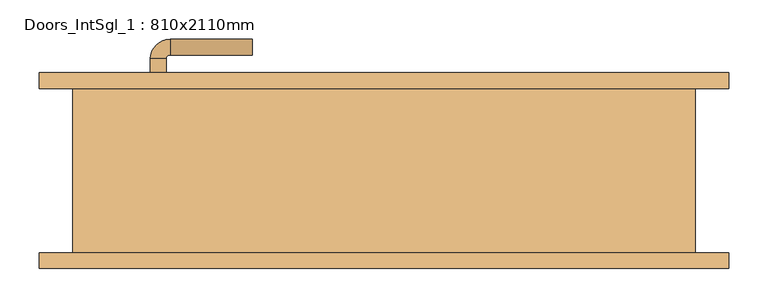
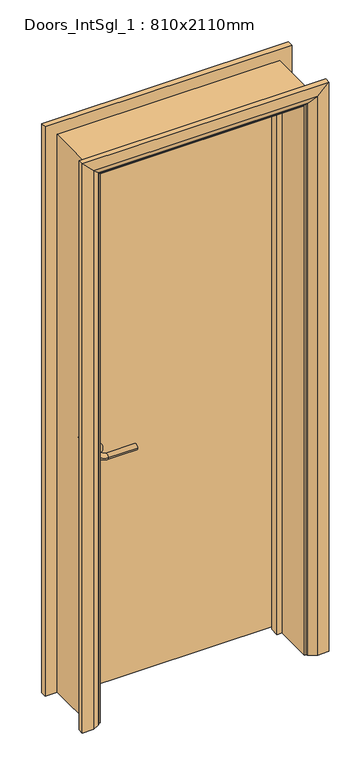
"""IFC4 building model written with IfcOpenShell, lengths in millimetres: door geometry, Doors_IntSgl_1 : 810x2110mm."""

import ifcopenshell
import ifcopenshell.guid

model = None  # the IFC model being written
_history = None  # IfcOwnerHistory: only IFC2X3 demands one
_inside = {}  # id of a spatial element -> (the spatial element, [elements in it])
_under = {}  # id of a project, library or spatial element -> (it, [spatial elements below it])
_declared = {}  # id of a project -> (the project, [libraries it declares])
_typed = {}  # id of a type object -> (the type object, [elements of that type])
_made_of = {}  # id of a material, layer set ... -> (it, [elements and type objects made of it])


def new_model(schema):
    """Start an empty IFC model of exactly this schema.

    Asked for "IFC4X3", IfcOpenShell would pick the latest addendum, in which some entities
    have other attributes; the version numbers below select the first issue.
    IFC2X3 requires an IfcOwnerHistory on every rooted entity: one is made here for all.
    """
    global model, _history
    if schema == "IFC4X3":
        model = ifcopenshell.file(schema_version=(4, 3, 0, 0))
    else:
        model = ifcopenshell.file(schema=schema)
    _inside.clear()
    _under.clear()
    _declared.clear()
    _typed.clear()
    _made_of.clear()
    _history = None
    if model.schema == "IFC2X3":
        org = make("IfcOrganization", Name="unknown")
        user = make(
            "IfcPersonAndOrganization",
            ThePerson=make("IfcPerson", FamilyName="unknown"),
            TheOrganization=org,
        )
        app = make(
            "IfcApplication",
            ApplicationDeveloper=org,
            Version="unknown",
            ApplicationFullName="unknown",
            ApplicationIdentifier="unknown",
        )
        _history = make(
            "IfcOwnerHistory",
            OwningUser=user,
            OwningApplication=app,
            ChangeAction="ADDED",
            CreationDate=0,
        )
    return model


def make(cls, **values):
    """One entity of the class cls with the attributes given. An attribute that is None is left unset."""
    return model.create_entity(
        cls, **{name: value for name, value in values.items() if value is not None}
    )


def rooted(cls, **values):
    """An entity with a GlobalId (a new one), such as an element, a storey or a relation."""
    return make(cls, GlobalId=ifcopenshell.guid.new(), OwnerHistory=_history, **values)


def si_unit(unit_type, name, prefix=None):
    """IfcSIUnit, for example si_unit("LENGTHUNIT", "METRE", prefix="MILLI")."""
    return make("IfcSIUnit", UnitType=unit_type, Prefix=prefix, Name=name)


def assignment(units):
    """IfcUnitAssignment: the units of a project."""
    return None if units is None else make("IfcUnitAssignment", Units=units)


def point(xyz):
    """IfcCartesianPoint."""
    return None if xyz is None else make("IfcCartesianPoint", Coordinates=xyz)


def direction(xyz):
    """IfcDirection."""
    return None if xyz is None else make("IfcDirection", DirectionRatios=xyz)


def frame(location, z_axis=None, x_axis=None):
    """IfcAxis2Placement3D, a coordinate frame: its origin and axes. An axis left out is left unset."""
    return make(
        "IfcAxis2Placement3D",
        Location=point(location),
        Axis=direction(z_axis),
        RefDirection=direction(x_axis),
    )


def frame_2d(location, x_axis=None):
    """IfcAxis2Placement2D, a coordinate frame in the plane: its origin and x axis."""
    return make(
        "IfcAxis2Placement2D", Location=point(location), RefDirection=direction(x_axis)
    )


def origin():
    """The frame at (0, 0, 0) with its axes left unset."""
    return frame((0.0, 0.0, 0.0))


def place(relative_to, where):
    """IfcLocalPlacement: puts the frame where relative to a parent placement (None: the world)."""
    return make(
        "IfcLocalPlacement", PlacementRelTo=relative_to, RelativePlacement=where
    )


def context(
    kind, dimensions, precision=None, world=None, true_north=None, identifier=None
):
    """IfcGeometricRepresentationContext, for example the 3D "Model" context."""
    return make(
        "IfcGeometricRepresentationContext",
        ContextIdentifier=identifier,
        ContextType=kind,
        CoordinateSpaceDimension=dimensions,
        Precision=precision,
        WorldCoordinateSystem=world,
        TrueNorth=true_north,
    )


def project(units=None, contexts=None):
    """IfcProject with its units and contexts."""
    return rooted(
        "IfcProject",
        Name="project",
        RepresentationContexts=contexts,
        UnitsInContext=assignment(units),
    )


def spatial(cls, under=None, at=None, **own):
    """A site, building, storey or space (cls), placed at a placement, below another one or the project."""
    s = rooted(cls, ObjectPlacement=at, **own)
    if under is not None:
        _under.setdefault(under.id(), (under, []))[1].append(s)
    return s


def polyline(points):
    """IfcPolyline through the points."""
    return make("IfcPolyline", Points=[point(p) for p in points])


def circle_curve(where, radius):
    """IfcCircle in the frame where."""
    return make("IfcCircle", Position=where, Radius=radius)


def ellipse_curve(where, semi_axis1, semi_axis2):
    """IfcEllipse in the frame where."""
    return make(
        "IfcEllipse", Position=where, SemiAxis1=semi_axis1, SemiAxis2=semi_axis2
    )


def trimmed(basis, trim1, trim2, sense, master):
    """IfcTrimmedCurve: the piece of a basis curve between two trims."""
    return make(
        "IfcTrimmedCurve",
        BasisCurve=basis,
        Trim1=trim1,
        Trim2=trim2,
        SenseAgreement=sense,
        MasterRepresentation=master,
    )


def segment(curve, same_sense, transition):
    """IfcCompositeCurveSegment."""
    return make(
        "IfcCompositeCurveSegment",
        Transition=transition,
        SameSense=same_sense,
        ParentCurve=curve,
    )


def composite_curve(segments, self_intersect=None):
    """IfcCompositeCurve: segments joined end to end."""
    return make("IfcCompositeCurve", Segments=segments, SelfIntersect=self_intersect)


def outline(outer, holes=None, kind="AREA"):
    """IfcArbitraryClosedProfileDef: a profile drawn as a closed curve; with holes, ...WithVoids."""
    if holes is None:
        return make("IfcArbitraryClosedProfileDef", ProfileType=kind, OuterCurve=outer)
    return make(
        "IfcArbitraryProfileDefWithVoids",
        ProfileType=kind,
        OuterCurve=outer,
        InnerCurves=holes,
    )


def extrude(swept, where, along, depth):
    """IfcExtrudedAreaSolid: the profile swept, set in the frame where, extruded along a direction by depth."""
    return make(
        "IfcExtrudedAreaSolid",
        SweptArea=swept,
        Position=where,
        ExtrudedDirection=direction(along),
        Depth=depth,
    )


def faces_of(points, faces, orient=None, outer=None):
    """IfcFace entities. A face is a list of loops; a loop is a list of indices into points, from 0.

    orient and outer hold one flag for each loop. By default every Orientation is true, the
    first loop of a face is its IfcFaceOuterBound and the others are IfcFaceBound.
    """
    made = []
    for i, loops in enumerate(faces):
        bounds = []
        for j, loop in enumerate(loops):
            is_outer = j == 0 if outer is None else outer[i][j]
            bounds.append(
                make(
                    "IfcFaceOuterBound" if is_outer else "IfcFaceBound",
                    Bound=make("IfcPolyLoop", Polygon=[points[k] for k in loop]),
                    Orientation=True if orient is None else orient[i][j],
                )
            )
        made.append(make("IfcFace", Bounds=bounds))
    return made


def faceted_brep(points, faces, orient=None, outer=None, voids=None):
    """IfcFacetedBrep: a solid bounded by flat faces; with voids (closed shells), ...WithVoids."""
    shared = [point(p) for p in points]
    hull = make("IfcClosedShell", CfsFaces=faces_of(shared, faces, orient, outer))
    if voids is None:
        return make("IfcFacetedBrep", Outer=hull)
    return make(
        "IfcFacetedBrepWithVoids",
        Outer=hull,
        Voids=[
            make(cls, CfsFaces=faces_of(shared, fs, o, b)) for cls, fs, o, b in voids
        ],
    )


def shape(context_of_items, identifier, shape_type, items):
    """IfcShapeRepresentation: the items that make up one representation, for example the "Body"."""
    return make(
        "IfcShapeRepresentation",
        ContextOfItems=context_of_items,
        RepresentationIdentifier=identifier,
        RepresentationType=shape_type,
        Items=items,
    )


def source(mapping_origin, context_of_items, identifier, shape_type, items):
    """IfcRepresentationMap: a shape defined once, which mapped items show again and again."""
    return make(
        "IfcRepresentationMap",
        MappingOrigin=mapping_origin,
        MappedRepresentation=shape(context_of_items, identifier, shape_type, items),
    )


def transform(
    local_origin,
    x_axis=None,
    y_axis=None,
    z_axis=None,
    scale=None,
    scale2=None,
    scale3=None,
    uniform=True,
):
    """IfcCartesianTransformationOperator3D, or its non-uniform kind. x_axis, y_axis, z_axis: its Axis1, 2, 3."""
    if uniform:
        return make(
            "IfcCartesianTransformationOperator3D",
            Axis1=direction(x_axis),
            Axis2=direction(y_axis),
            LocalOrigin=point(local_origin),
            Scale=scale,
            Axis3=direction(z_axis),
        )
    return make(
        "IfcCartesianTransformationOperator3DnonUniform",
        Axis1=direction(x_axis),
        Axis2=direction(y_axis),
        LocalOrigin=point(local_origin),
        Scale=scale,
        Axis3=direction(z_axis),
        Scale2=scale2,
        Scale3=scale3,
    )


def mapped(mapping_source, mapping_target):
    """IfcMappedItem: shows the shape of a source again, moved by a transform."""
    return make(
        "IfcMappedItem", MappingSource=mapping_source, MappingTarget=mapping_target
    )


def made_of(thing, what):
    """Note that an element or type object is made of a material, layer set ...; save() writes the relation."""
    if what is not None:
        _made_of.setdefault(what.id(), (what, []))[1].append(thing)
    return thing


def element(
    cls,
    number,
    at=None,
    inside=None,
    cuts=None,
    type_object=None,
    material=None,
    context=None,
    identifier="Body",
    shape_type=None,
    held_by="IfcProductDefinitionShape",
    body=None,
    shapes=None,
    **own,
):
    """One element of the class cls, such as IfcWall. Its Tag is "e" and its number.

    at: its placement. inside: the storey or other place that contains it. cuts: it is an
    opening in that element (IfcRelVoidsElement). A single representation is given by context,
    identifier, shape_type and body (its items); several are given by shapes. held_by: the class
    of the entity that holds the representations. save() writes the other relations.
    """
    e = rooted(cls, Tag="e%d" % number, ObjectPlacement=at, **own)
    if body is not None:
        shapes = [shape(context, identifier, shape_type, body)]
    if shapes is not None:
        e.Representation = make(held_by, Representations=shapes)
    if inside is not None:
        _inside.setdefault(inside.id(), (inside, []))[1].append(e)
    if cuts is not None:
        rooted(
            "IfcRelVoidsElement", RelatingBuildingElement=cuts, RelatedOpeningElement=e
        )
    if type_object is not None:
        _typed.setdefault(type_object.id(), (type_object, []))[1].append(e)
    return made_of(e, material)


def aggregate(whole, parts):
    """IfcRelAggregates: a whole, such as a stair, and the parts it consists of."""
    return rooted("IfcRelAggregates", RelatingObject=whole, RelatedObjects=parts)


def save(model, path):
    """Write the relations noted so far, then the file.

    IfcRelAggregates (storeys below a building ...), IfcRelContainedInSpatialStructure (elements
    in a storey), IfcRelDefinesByType, IfcRelAssociatesMaterial and IfcRelDeclares: one each for
    every whole, place, type object, material and project.
    """
    for whole, parts in _under.values():
        aggregate(whole, parts)
    for where, things in _inside.values():
        rooted(
            "IfcRelContainedInSpatialStructure",
            RelatedElements=things,
            RelatingStructure=where,
        )
    for kind, things in _typed.values():
        rooted("IfcRelDefinesByType", RelatedObjects=things, RelatingType=kind)
    for what, things in _made_of.values():
        rooted("IfcRelAssociatesMaterial", RelatedObjects=things, RelatingMaterial=what)
    for by, libraries in _declared.values():
        rooted("IfcRelDeclares", RelatingContext=by, RelatedDefinitions=libraries)
    model.write(path)


def plane_surface(at):
    """IfcPlane: the flat surface through the origin of the frame at, square to its z axis."""
    return make("IfcPlane", Position=at)


def cylinder_surface(at, radius):
    """IfcCylindricalSurface: all points at the distance radius from the z axis of the frame at."""
    return make("IfcCylindricalSurface", Position=at, Radius=radius)


def revolved_surface(curve, axis_point, axis_direction):
    """IfcSurfaceOfRevolution: the curve turned about the line through axis_point along axis_direction."""
    return make(
        "IfcSurfaceOfRevolution",
        SweptCurve=make("IfcArbitraryOpenProfileDef", ProfileType="CURVE", Curve=curve),
        AxisPosition=make("IfcAxis1Placement", Location=point(axis_point), Axis=direction(axis_direction)),
    )


def advanced_brep(points, edges, surfaces, faces):
    """IfcAdvancedBrep: a solid bounded by faces that lie on surfaces and meet in shared edges.

    An edge is (start, end): straight between two places in points (the first is 0);
    or (start, end, curve); or (start, end, curve, False) where it runs against its curve.
    A face is (place in surfaces, loops), or (place, loops, False) where it looks against
    its surface's normal. A loop lists edges by number (the first is 1), with a minus sign
    where the edge is run from its end to its start. The first loop is the outer one.
    """
    corners = [point(p) for p in points]
    vertices = [make("IfcVertexPoint", VertexGeometry=c) for c in corners]
    made = []
    for start, end, *more in edges:
        made.append(
            make(
                "IfcEdgeCurve",
                EdgeStart=vertices[start],
                EdgeEnd=vertices[end],
                EdgeGeometry=more[0] if more else make("IfcPolyline", Points=[corners[start], corners[end]]),
                SameSense=more[1] if len(more) > 1 else True,
            )
        )
    hull = []
    for where, loops, *sense in faces:
        bounds = []
        for j, loop in enumerate(loops):
            ring = [make("IfcOrientedEdge", EdgeElement=made[abs(k) - 1], Orientation=k > 0) for k in loop]
            bounds.append(
                make(
                    "IfcFaceOuterBound" if j == 0 else "IfcFaceBound",
                    Bound=make("IfcEdgeLoop", EdgeList=ring),
                    Orientation=True,
                )
            )
        hull.append(make("IfcAdvancedFace", Bounds=bounds, FaceSurface=surfaces[where], SameSense=sense[0] if sense else True))
    return make("IfcAdvancedBrep", Outer=make("IfcClosedShell", CfsFaces=hull))


def doors_intsgl_1_810x2110mm_fdffbd0d(model_context):
    return source(origin(), model_context, "Body", "SolidModel", [
        advanced_brep(
        [(-298.0, 59.0, 900.0), (-278.0, 59.0, 900.0), (-278.0, 29.0, 900.0), (-298.0, 29.0, 900.0), (-273.0, 24.0, 900.0), (-273.0, 4.0, 900.0), (-168.0, 4.0, 900.0), (-168.0, 24.0, 900.0)],
        [
            (0, 1, circle_curve(frame((-288.0, 59.0, 900.0), z_axis=(0.0, 1.0, 0.0), x_axis=(1.0, 0.0, 0.0)), 10.0)),
            (1, 0, circle_curve(frame((-288.0, 59.0, 900.0), z_axis=(0.0, 1.0, 0.0), x_axis=(1.0, 0.0, 0.0)), 10.0)),
            (1, 2),
            (2, 3, circle_curve(frame((-288.0, 29.0, 900.0), z_axis=(0.0, 1.0, 0.0), x_axis=(1.0, 0.0, 0.0)), 10.0)),
            (3, 0),
            (3, 2, circle_curve(frame((-288.0, 29.0, 900.0), z_axis=(0.0, 1.0, 0.0), x_axis=(1.0, 0.0, 0.0)), 10.0)),
            (4, 5, circle_curve(frame((-273.0, 14.0, 900.0), z_axis=(-1.0, 0.0, 0.0), x_axis=(0.0, 1.0, 0.0)), 10.0)),
            (5, 3, circle_curve(frame((-273.0, 29.0, 900.0), z_axis=(0.0, 0.0, -1.0), x_axis=(-1.0, 0.0, 0.0)), 25.0)),
            (2, 4, circle_curve(frame((-273.0, 29.0, 900.0), z_axis=(0.0, 0.0, 1.0), x_axis=(-1.0, 0.0, 0.0)), 5.0)),
            (5, 4, circle_curve(frame((-273.0, 14.0, 900.0), z_axis=(-1.0, 0.0, 0.0), x_axis=(0.0, 1.0, 0.0)), 10.0)),
            (6, 7, circle_curve(frame((-168.0, 14.0, 900.0), z_axis=(1.0, 0.0, 0.0), x_axis=(0.0, 1.0, 0.0)), 10.0)),
            (7, 6, circle_curve(frame((-168.0, 14.0, 900.0), z_axis=(1.0, 0.0, 0.0), x_axis=(0.0, 1.0, 0.0)), 10.0)),
            (4, 7),
            (6, 5),
        ],
        [
            plane_surface(frame((-288.0, 59.0, 900.0), z_axis=(0.0, 1.0, 0.0), x_axis=(0.0, 0.0, 1.0))),
            cylinder_surface(frame((-288.0, 59.0, 900.0), z_axis=(0.0, 1.0, 0.0), x_axis=(1.0, 0.0, 0.0)), 10.0),
            revolved_surface(trimmed(ellipse_curve(frame((-288.0, 29.0, 900.0), z_axis=(0.0, -1.0, 0.0), x_axis=(1.0, 0.0, 0.0)), 10.0, 10.0), [point((-298.0, 29.0, 900.0))], [point((-278.0, 29.0, 900.0))], True, "CARTESIAN"), (-273.0, 29.0, 900.0), (0.0, 0.0, -1.0)),
            revolved_surface(trimmed(ellipse_curve(frame((-288.0, 29.0, 900.0), z_axis=(0.0, -1.0, 0.0), x_axis=(1.0, 0.0, 0.0)), 10.0, 10.0), [point((-278.0, 29.0, 900.0))], [point((-298.0, 29.0, 900.0))], True, "CARTESIAN"), (-273.0, 29.0, 900.0), (0.0, 0.0, -1.0)),
            plane_surface(frame((-168.0, 14.0, 900.0), z_axis=(1.0, 0.0, 0.0), x_axis=(0.0, 0.0, 1.0))),
            cylinder_surface(frame((-273.0, 14.0, 900.0), z_axis=(-1.0, 0.0, 0.0), x_axis=(0.0, 1.0, 0.0)), 10.0),
        ],
        [
            (0, [[1, 2]]),
            (1, [[3, 4, 5, -2]]),
            (1, [[-5, 6, -3, -1]]),
            (2, [[7, 8, -4, 9]]),
            (3, [[10, -9, -6, -8]]),
            (4, [[11, 12]]),
            (5, [[13, -11, 14, -7]]),
            (5, [[-14, -12, -13, -10]]),
        ],
    ),
        extrude(outline(composite_curve([segment(trimmed(circle_curve(frame_2d((900.0, -290.5)), 30.0), [point((900.0, -320.5))], [point((900.0, -260.5))], False, "CARTESIAN"), True, "CONTINUOUS"), segment(trimmed(circle_curve(frame_2d((900.0, -290.5)), 30.0), [point((900.0, -260.5))], [point((900.0, -320.5))], False, "CARTESIAN"), True, "CONTINUOUS")], self_intersect=False)), frame((0.0, 59.0, 0.0), z_axis=(0.0, 1.0, 0.0), x_axis=(0.0, 0.0, 1.0)), (0.0, 0.0, 1.0), 8.0),
        advanced_brep(
        [(-298.0, 113.0, 900.0), (-278.0, 113.0, 900.0), (-298.0, 143.0, 900.0), (-278.0, 143.0, 900.0), (-273.0, 148.0, 900.0), (-273.0, 168.0, 900.0), (-168.0, 168.0, 900.0), (-168.0, 148.0, 900.0)],
        [
            (0, 1, circle_curve(frame((-288.0, 113.0, 900.0), z_axis=(0.0, -1.0, 0.0), x_axis=(1.0, 0.0, 0.0)), 10.0)),
            (1, 0, circle_curve(frame((-288.0, 113.0, 900.0), z_axis=(0.0, -1.0, 0.0), x_axis=(1.0, 0.0, 0.0)), 10.0)),
            (0, 2),
            (2, 3, circle_curve(frame((-288.0, 143.0, 900.0), z_axis=(0.0, -1.0, 0.0), x_axis=(1.0, 0.0, 0.0)), 10.0)),
            (3, 1),
            (3, 2, circle_curve(frame((-288.0, 143.0, 900.0), z_axis=(0.0, -1.0, 0.0), x_axis=(1.0, 0.0, 0.0)), 10.0)),
            (4, 3, circle_curve(frame((-273.0, 143.0, 900.0), z_axis=(0.0, 0.0, 1.0), x_axis=(-1.0, 0.0, 0.0)), 5.0)),
            (2, 5, circle_curve(frame((-273.0, 143.0, 900.0), z_axis=(0.0, 0.0, -1.0), x_axis=(-1.0, 0.0, 0.0)), 25.0)),
            (5, 4, circle_curve(frame((-273.0, 158.0, 900.0), z_axis=(-1.0, 0.0, 0.0), x_axis=(0.0, -1.0, 0.0)), 10.0)),
            (4, 5, circle_curve(frame((-273.0, 158.0, 900.0), z_axis=(-1.0, 0.0, 0.0), x_axis=(0.0, -1.0, 0.0)), 10.0)),
            (6, 7, circle_curve(frame((-168.0, 158.0, 900.0), z_axis=(1.0, 0.0, 0.0), x_axis=(0.0, -1.0, 0.0)), 10.0)),
            (7, 6, circle_curve(frame((-168.0, 158.0, 900.0), z_axis=(1.0, 0.0, 0.0), x_axis=(0.0, -1.0, 0.0)), 10.0)),
            (5, 6),
            (7, 4),
        ],
        [
            plane_surface(frame((-288.0, 113.0, 900.0), z_axis=(0.0, -1.0, 0.0), x_axis=(0.0, 0.0, 1.0))),
            cylinder_surface(frame((-288.0, 113.0, 900.0), z_axis=(0.0, -1.0, 0.0), x_axis=(1.0, 0.0, 0.0)), 10.0),
            revolved_surface(trimmed(ellipse_curve(frame((-288.0, 143.0, 900.0), z_axis=(0.0, -1.0, 0.0), x_axis=(1.0, 0.0, 0.0)), 10.0, 10.0), [point((-298.0, 143.0, 900.0))], [point((-278.0, 143.0, 900.0))], True, "CARTESIAN"), (-273.0, 143.0, 900.0), (0.0, 0.0, -1.0)),
            revolved_surface(trimmed(ellipse_curve(frame((-288.0, 143.0, 900.0), z_axis=(0.0, -1.0, 0.0), x_axis=(1.0, 0.0, 0.0)), 10.0, 10.0), [point((-278.0, 143.0, 900.0))], [point((-298.0, 143.0, 900.0))], True, "CARTESIAN"), (-273.0, 143.0, 900.0), (0.0, 0.0, -1.0)),
            plane_surface(frame((-168.0, 158.0, 900.0), z_axis=(1.0, 0.0, 0.0), x_axis=(0.0, 0.0, 1.0))),
            cylinder_surface(frame((-273.0, 158.0, 900.0), z_axis=(-1.0, 0.0, 0.0), x_axis=(0.0, -1.0, 0.0)), 10.0),
        ],
        [
            (0, [[1, 2]]),
            (1, [[-1, 3, 4, 5]]),
            (1, [[-2, -5, 6, -3]]),
            (2, [[7, -4, 8, 9]]),
            (3, [[-8, -6, -7, 10]]),
            (4, [[11, 12]]),
            (5, [[-9, 13, -12, 14]]),
            (5, [[-10, -14, -11, -13]]),
        ],
    ),
        extrude(outline(composite_curve([segment(trimmed(circle_curve(frame_2d((900.0, -290.5)), 30.0), [point((900.0, -320.5))], [point((900.0, -260.5))], False, "CARTESIAN"), True, "CONTINUOUS"), segment(trimmed(circle_curve(frame_2d((900.0, -290.5)), 30.0), [point((900.0, -260.5))], [point((900.0, -320.5))], False, "CARTESIAN"), True, "CONTINUOUS")], self_intersect=False)), frame((0.0, 105.0, 0.0), z_axis=(0.0, 1.0, 0.0), x_axis=(0.0, 0.0, 1.0)), (0.0, 0.0, 1.0), 8.0),
        extrude(outline(polyline([(363.0, 67.0), (-363.0, 67.0), (-363.0, 105.0), (363.0, 105.0), (363.0, 67.0)])), frame((0.0, 0.0, 8.0), z_axis=(0.0, 0.0, 1.0), x_axis=(1.0, 0.0, 0.0)), (0.0, 0.0, 1.0), 2060.0),
        advanced_brep(
        [(440.0, 125.0, 0.0), (440.0, 105.0, 0.0), (370.0, 105.0, 0.0), (374.0, 111.0, 0.0), (400.0, 125.0, 0.0), (440.0, 125.0, 2145.0), (440.0, 105.0, 2145.0), (-440.0, 105.0, 2145.0), (-440.0, 105.0, 0.0), (-370.0, 105.0, 0.0), (-370.0, 105.0, 2075.0), (370.0, 105.0, 2075.0), (374.0, 111.0, 2079.0), (400.0, 125.0, 2105.0), (-400.0, 125.0, 2105.0), (-400.0, 125.0, 0.0), (-440.0, 125.0, 0.0), (-440.0, 125.0, 2145.0), (-374.0, 111.0, 0.0), (-374.0, 111.0, 2079.0)],
        [
            (0, 1),
            (1, 2),
            (2, 3, circle_curve(frame((378.0, 104.0, 0.0), z_axis=(0.0, 0.0, -1.0), x_axis=(1.0, 0.0, 0.0)), 8.0622577)),
            (3, 4),
            (4, 0),
            (0, 5),
            (5, 6),
            (6, 1),
            (6, 7),
            (7, 8),
            (8, 9),
            (9, 10),
            (10, 11),
            (11, 2),
            (11, 12, ellipse_curve(frame((378.0, 104.0, 2083.0), z_axis=(0.7071067811865475, 0.0, -0.7071067811865475), x_axis=(-0.7071067811865474, 0.0, -0.7071067811865476)), 11.4017543, 8.0622577)),
            (12, 3),
            (12, 13),
            (13, 4),
            (13, 14),
            (14, 15),
            (15, 16),
            (16, 17),
            (17, 5),
            (7, 17),
            (16, 8),
            (15, 18),
            (18, 9, circle_curve(frame((-378.0, 104.0, 0.0), z_axis=(0.0, 0.0, -1.0), x_axis=(-1.0, 0.0, 0.0)), 8.0622577)),
            (19, 10, ellipse_curve(frame((-378.0, 104.0, 2083.0), z_axis=(-0.7071067811865475, 0.0, -0.7071067811865475), x_axis=(-0.7071067811865474, 0.0, 0.7071067811865476)), 11.4017543, 8.0622577)),
            (18, 19),
            (14, 19),
            (19, 12),
        ],
        [
            plane_surface(frame((370.0, 105.0, 0.0), z_axis=(0.0, 0.0, -1.0), x_axis=(0.0, -1.0, 0.0))),
            plane_surface(frame((440.0, 125.0, 0.0), z_axis=(1.0, 0.0, 0.0), x_axis=(0.0, 0.0, 1.0))),
            plane_surface(frame((440.0, 105.0, 0.0), z_axis=(0.0, -1.0, 0.0), x_axis=(0.0, 0.0, 1.0))),
            cylinder_surface(frame((378.0, 104.0, 0.0), z_axis=(0.0, 0.0, -1.0), x_axis=(1.0, 0.0, 0.0)), 8.0622577),
            plane_surface(frame((374.0, 111.0, 0.0), z_axis=(-0.4740998230350126, 0.880471099922178, 0.0), x_axis=(0.0, 0.0, 1.0))),
            plane_surface(frame((400.0, 125.0, 0.0), z_axis=(0.0, 1.0, 0.0), x_axis=(0.0, 0.0, 1.0))),
            plane_surface(frame((-440.0, 125.0, 2145.0), z_axis=(-1.0, 0.0, 0.0), x_axis=(0.0, 0.0, -1.0))),
            plane_surface(frame((-370.0, 105.0, 0.0), z_axis=(0.0, 0.0, -1.0), x_axis=(0.0, -1.0, 0.0))),
            cylinder_surface(frame((-378.0, 104.0, 2075.0), z_axis=(0.0, 0.0, 1.0), x_axis=(-1.0, 0.0, 0.0)), 8.0622577),
            plane_surface(frame((-374.0, 111.0, 2079.0), z_axis=(0.47409982303501824, 0.8804710999221749, 0.0), x_axis=(0.0, 0.0, -1.0))),
            plane_surface(frame((440.0, 125.0, 2145.0), z_axis=(0.0, 0.0, 1.0), x_axis=(-1.0, 0.0, 0.0))),
            cylinder_surface(frame((370.0, 104.0, 2083.0), z_axis=(1.0, 0.0, 0.0), x_axis=(0.0, 0.0, 1.0)), 8.0622577),
            plane_surface(frame((374.0, 111.0, 2079.0), z_axis=(0.0, 0.8804710999221764, -0.4740998230350154), x_axis=(-1.0, 0.0, 0.0))),
        ],
        [
            (0, [[1, 2, 3, 4, 5]]),
            (1, [[-1, 6, 7, 8]]),
            (2, [[-2, -8, 9, 10, 11, 12, 13, 14]]),
            (3, [[-3, -14, 15, 16]]),
            (4, [[-4, -16, 17, 18]]),
            (5, [[-5, -18, 19, 20, 21, 22, 23, -6]]),
            (6, [[24, -22, 25, -10]]),
            (7, [[-21, 26, 27, -11, -25]]),
            (8, [[28, -12, -27, 29]]),
            (9, [[30, -29, -26, -20]]),
            (10, [[-7, -23, -24, -9]]),
            (11, [[-15, -13, -28, 31]]),
            (12, [[-17, -31, -30, -19]]),
        ],
    ),
        extrude(outline(polyline([(0.0, -365.0), (0.0, -346.0), (2051.0, -346.0), (2051.0, 346.0), (0.0, 346.0), (0.0, 365.0), (2070.0, 365.0), (2070.0, -365.0), (0.0, -365.0)])), frame((0.0, 33.0, 0.0), z_axis=(0.0, 1.0, 0.0), x_axis=(0.0, 0.0, 1.0)), (0.0, 0.0, 1.0), 32.0),
        advanced_brep(
        [(-440.0, -125.0, 0.0), (-440.0, -105.0, 0.0), (-370.0, -105.0, 0.0), (-374.0, -111.0, 0.0), (-400.0, -125.0, 0.0), (-440.0, -125.0, 2145.0), (-440.0, -105.0, 2145.0), (-370.0, -105.0, 2075.0), (-374.0, -111.0, 2079.0), (-400.0, -125.0, 2105.0), (440.0, -125.0, 0.0), (400.0, -125.0, 0.0), (374.0, -111.0, 0.0), (370.0, -105.0, 0.0), (440.0, -105.0, 0.0), (440.0, -125.0, 2145.0), (400.0, -125.0, 2105.0), (374.0, -111.0, 2079.0), (370.0, -105.0, 2075.0), (440.0, -105.0, 2145.0)],
        [
            (0, 1),
            (1, 2),
            (2, 3, circle_curve(frame((-378.0, -104.0, 0.0), z_axis=(0.0, 0.0, -1.0), x_axis=(-1.0, 0.0, 0.0)), 8.0622577)),
            (3, 4),
            (4, 0),
            (0, 5),
            (5, 6),
            (6, 1),
            (6, 7),
            (7, 2),
            (7, 8, ellipse_curve(frame((-378.0, -104.0, 2083.0), z_axis=(-0.7071067811865475, 0.0, -0.7071067811865475), x_axis=(0.7071067811865474, 0.0, -0.7071067811865476)), 11.4017543, 8.0622577)),
            (8, 3),
            (8, 9),
            (9, 4),
            (9, 5),
            (10, 11),
            (11, 12),
            (12, 13, circle_curve(frame((378.0, -104.0, 0.0), z_axis=(0.0, 0.0, -1.0), x_axis=(1.0, 0.0, 0.0)), 8.0622577)),
            (13, 14),
            (14, 10),
            (15, 16),
            (16, 11),
            (10, 15),
            (16, 17),
            (17, 12),
            (17, 18, ellipse_curve(frame((378.0, -104.0, 2083.0), z_axis=(0.7071067811865475, 0.0, -0.7071067811865475), x_axis=(0.7071067811865474, 0.0, 0.7071067811865476)), 11.4017543, 8.0622577)),
            (18, 13),
            (18, 19),
            (19, 14),
            (19, 15),
            (5, 15),
            (19, 6),
            (18, 7),
            (17, 8),
            (16, 9),
        ],
        [
            plane_surface(frame((-370.0, -177.8010989, 0.0), z_axis=(0.0, 0.0, -1.0), x_axis=(1.0, 0.0, 0.0))),
            plane_surface(frame((-440.0, -125.0, 0.0), z_axis=(-1.0, 0.0, 0.0), x_axis=(0.0, 0.0, 1.0))),
            plane_surface(frame((-440.0, -105.0, 0.0), z_axis=(0.0, 1.0, 0.0), x_axis=(0.0, 0.0, 1.0))),
            cylinder_surface(frame((-378.0, -104.0, 0.0), z_axis=(0.0, 0.0, -1.0), x_axis=(-1.0, 0.0, 0.0)), 8.0622577),
            plane_surface(frame((-374.0, -111.0, 0.0), z_axis=(0.4740998230350183, -0.8804710999221749, 0.0), x_axis=(0.0, 0.0, 1.0))),
            plane_surface(frame((-400.0, -125.0, 0.0), z_axis=(0.0, -1.0, 0.0), x_axis=(0.0, 0.0, 1.0))),
            plane_surface(frame((370.0, -177.8010989, 0.0), z_axis=(0.0, 0.0, -1.0), x_axis=(-1.0, 0.0, 0.0))),
            plane_surface(frame((400.0, -125.0, 2105.0), z_axis=(0.0, -1.0, 0.0), x_axis=(0.0, 0.0, -1.0))),
            plane_surface(frame((374.0, -111.0, 2079.0), z_axis=(-0.4740998230350183, -0.8804710999221749, 0.0), x_axis=(0.0, 0.0, -1.0))),
            cylinder_surface(frame((378.0, -104.0, 2075.0), z_axis=(0.0, 0.0, 1.0), x_axis=(1.0, 0.0, 0.0)), 8.0622577),
            plane_surface(frame((440.0, -105.0, 2145.0), z_axis=(0.0, 1.0, 0.0), x_axis=(0.0, 0.0, -1.0))),
            plane_surface(frame((440.0, -125.0, 2145.0), z_axis=(1.0, 0.0, 0.0), x_axis=(0.0, 0.0, -1.0))),
            plane_surface(frame((-440.0, -125.0, 2145.0), z_axis=(0.0, 0.0, 1.0), x_axis=(1.0, 0.0, 0.0))),
            plane_surface(frame((-440.0, -105.0, 2145.0), z_axis=(0.0, 1.0, 0.0), x_axis=(1.0, 0.0, 0.0))),
            cylinder_surface(frame((-370.0, -104.0, 2083.0), z_axis=(-1.0, 0.0, 0.0), x_axis=(0.0, 0.0, 1.0)), 8.0622577),
            plane_surface(frame((-374.0, -111.0, 2079.0), z_axis=(0.0, -0.8804710999221749, -0.4740998230350183), x_axis=(1.0, 0.0, 0.0))),
            plane_surface(frame((-400.0, -125.0, 2105.0), z_axis=(0.0, -1.0, 0.0), x_axis=(1.0, 0.0, 0.0))),
        ],
        [
            (0, [[1, 2, 3, 4, 5]]),
            (1, [[-1, 6, 7, 8]]),
            (2, [[-2, -8, 9, 10]]),
            (3, [[-3, -10, 11, 12]]),
            (4, [[-4, -12, 13, 14]]),
            (5, [[-5, -14, 15, -6]]),
            (6, [[16, 17, 18, 19, 20]]),
            (7, [[21, 22, -16, 23]]),
            (8, [[24, 25, -17, -22]]),
            (9, [[26, 27, -18, -25]]),
            (10, [[28, 29, -19, -27]]),
            (11, [[30, -23, -20, -29]]),
            (12, [[-7, 31, -30, 32]]),
            (13, [[-9, -32, -28, 33]]),
            (14, [[-11, -33, -26, 34]]),
            (15, [[-13, -34, -24, 35]]),
            (16, [[-15, -35, -21, -31]]),
        ],
    ),
        faceted_brep([(-365.0, 105.0, 0.0), (-365.0, -105.0, 0.0), (-397.0, -105.0, 0.0), (-397.0, 105.0, 0.0), (-365.0, 105.0, 2070.0), (-365.0, -105.0, 2070.0), (-397.0, -105.0, 2102.0), (-397.0, 105.0, 2102.0), (365.0, 105.0, 0.0), (397.0, 105.0, 0.0), (397.0, -105.0, 0.0), (365.0, -105.0, 0.0), (365.0, 105.0, 2070.0), (397.0, 105.0, 2102.0), (397.0, -105.0, 2102.0), (365.0, -105.0, 2070.0)], [[[0, 1, 2, 3]], [[1, 0, 4, 5]], [[2, 1, 5, 6]], [[3, 2, 6, 7]], [[0, 3, 7, 4]], [[8, 9, 10, 11]], [[12, 13, 9, 8]], [[13, 14, 10, 9]], [[14, 15, 11, 10]], [[15, 12, 8, 11]], [[5, 4, 12, 15]], [[6, 5, 15, 14]], [[7, 6, 14, 13]], [[4, 7, 13, 12]]]),
    ])


if __name__ == "__main__":
    model = new_model("IFC4")
    model_context = context("Model", 3, world=origin())
    ifc_project = project(units=[si_unit("LENGTHUNIT", "METRE", prefix="MILLI")], contexts=[model_context])
    site = spatial("IfcSite", under=ifc_project)
    building = spatial("IfcBuilding", under=site)
    placement = place(None, origin())
    doors_intsgl_1_810x2110mm_shape = doors_intsgl_1_810x2110mm_fdffbd0d(model_context)
    element("IfcDoor", 1, ObjectType="Doors_IntSgl_1 : 810x2110mm", at=placement, inside=building, context=model_context, shape_type="MappedRepresentation", body=[
        mapped(doors_intsgl_1_810x2110mm_shape, transform((0.0, 0.0, 0.0), x_axis=(1.0, 0.0, 0.0), y_axis=(0.0, 1.0, 0.0), z_axis=(0.0, 0.0, 1.0))),
    ])
    save(model, "model.ifc")
